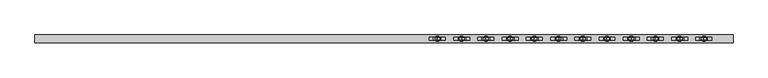
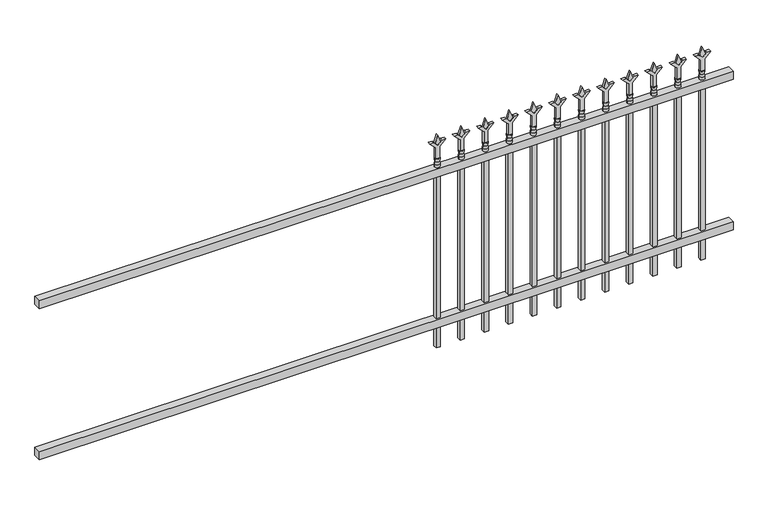
"""IFC4 building model written with IfcOpenShell, lengths in millimetres: railing geometry."""

from ifc_helpers import new_model, si_unit, frame, origin, place, context, project, spatial, polyline, circle_curve, outline, extrude, source, transform, mapped, element, save
from ifc_brep_helpers import plane_surface, cylinder_surface, revolved_surface, advanced_brep


def railing_d775f072(model_context):
    return source(origin(), model_context, "Body", "SolidModel", [
        extrude(outline(polyline([(-85729.318087, 5443.2804826), (-85729.318087, 5478.2054826), (-82579.718087, 5478.2054826), (-82579.718087, 5443.2804826), (-85729.318087, 5443.2804826)])), frame((0.0, 0.0, 876.3), z_axis=(0.0, 0.0, 1.0), x_axis=(1.0, 0.0, 0.0)), (0.0, 0.0, 1.0), 38.1),
        extrude(outline(polyline([(-85729.318087, 5443.2804826), (-85729.318087, 5478.2054826), (-82579.718087, 5478.2054826), (-82579.718087, 5443.2804826), (-85729.318087, 5443.2804826)])), frame((0.0, 0.0, 152.4), z_axis=(0.0, 0.0, 1.0), x_axis=(1.0, 0.0, 0.0)), (0.0, 0.0, 1.0), 38.1),
        extrude(outline(polyline([(1031.08125, -82808.8472536), (1066.8, -82820.7535036), (1031.08125, -82832.6597536), (1019.175, -82820.7535036), (1031.08125, -82808.8472536)])), frame((0.0, 5455.9804826, 0.0), z_axis=(0.0, 1.0, 0.0), x_axis=(0.0, 0.0, 1.0)), (0.0, 0.0, 1.0), 9.525),
        extrude(outline(polyline([(955.675, -82812.0222536), (1009.9457378, -82812.0222536), (1037.1355122, -82784.8324791), (1037.1355122, -82802.7929914), (1019.175, -82820.7535036), (1037.1355122, -82838.7140159), (1037.1355122, -82856.6745281), (1009.9457378, -82829.4847536), (955.675, -82829.4847536), (955.675, -82812.0222536)])), frame((0.0, 5454.3929826, 0.0), z_axis=(0.0, 1.0, 0.0), x_axis=(0.0, 0.0, 1.0)), (0.0, 0.0, 1.0), 12.7),
        advanced_brep(
        [(-82808.8472536, 5460.7429826, 927.1), (-82832.6597536, 5460.7429826, 927.1), (-82832.6597536, 5460.7429826, 914.4), (-82808.8472536, 5460.7429826, 914.4), (-82811.0525855, 5460.7429826, 939.6070585), (-82830.4544218, 5460.7429826, 939.6070585), (-82808.8472536, 5460.7429826, 955.675), (-82832.6597536, 5460.7429826, 955.675), (-82820.7535036, 5460.7429826, 955.675), (-82820.7535036, 5460.7429826, 914.4)],
        [
            (0, 1, circle_curve(frame((-82820.7535036, 5460.7429826, 927.1), z_axis=(0.0, 0.0, -1.0), x_axis=(-1.0, 0.0, 0.0)), 11.90625)),
            (1, 2),
            (2, 3, circle_curve(frame((-82820.7535036, 5460.7429826, 914.4), z_axis=(0.0, 0.0, 1.0), x_axis=(-1.0, 0.0, 0.0)), 11.90625)),
            (3, 0),
            (1, 0, circle_curve(frame((-82820.7535036, 5460.7429826, 927.1), z_axis=(0.0, 0.0, -1.0), x_axis=(-1.0, 0.0, 0.0)), 11.90625)),
            (3, 2, circle_curve(frame((-82820.7535036, 5460.7429826, 914.4), z_axis=(0.0, 0.0, 1.0), x_axis=(-1.0, 0.0, 0.0)), 11.90625)),
            (4, 5, circle_curve(frame((-82820.7535036, 5460.7429826, 939.6070585), z_axis=(0.0, 0.0, -1.0), x_axis=(-1.0, 0.0, 0.0)), 9.7009181)),
            (5, 1),
            (0, 4),
            (5, 4, circle_curve(frame((-82820.7535036, 5460.7429826, 939.6070585), z_axis=(0.0, 0.0, -1.0), x_axis=(-1.0, 0.0, 0.0)), 9.7009181)),
            (6, 7, circle_curve(frame((-82820.7535036, 5460.7429826, 955.675), z_axis=(0.0, 0.0, -1.0), x_axis=(-1.0, 0.0, 0.0)), 11.90625)),
            (7, 5),
            (4, 6),
            (7, 6, circle_curve(frame((-82820.7535036, 5460.7429826, 955.675), z_axis=(0.0, 0.0, -1.0), x_axis=(-1.0, 0.0, 0.0)), 11.90625)),
            (8, 7),
            (6, 8),
            (2, 9),
            (9, 3),
        ],
        [
            cylinder_surface(frame((-82820.7535036, 5460.7429826, 914.4), z_axis=(0.0, 0.0, 1.0), x_axis=(-1.0, 0.0, 0.0)), 11.90625),
            revolved_surface(polyline([(-82832.6597536, 5460.7429826, 927.1), (-82830.4544218, 5460.7429826, 939.6070585)]), (-82820.7535036, 5460.7429826, 914.4), (0.0, 0.0, 1.0)),
            revolved_surface(polyline([(-82830.4544218, 5460.7429826, 939.6070585), (-82832.6597536, 5460.7429826, 955.675)]), (-82820.7535036, 5460.7429826, 914.4), (0.0, 0.0, 1.0)),
            plane_surface(frame((-82820.7535036, 5460.7429826, 955.675), z_axis=(0.0, 0.0, 1.0), x_axis=(-1.0, 0.0, 0.0))),
            plane_surface(frame((-82820.7535036, 5460.7429826, 914.4), z_axis=(0.0, 0.0, -1.0), x_axis=(-1.0, 0.0, 0.0))),
        ],
        [
            (0, [[1, 2, 3, 4]]),
            (0, [[5, -4, 6, -2]]),
            (1, [[7, 8, -1, 9]]),
            (1, [[10, -9, -5, -8]]),
            (2, [[11, 12, -7, 13]]),
            (2, [[14, -13, -10, -12]]),
            (3, [[15, -11, 16]]),
            (3, [[-16, -14, -15]]),
            (4, [[-3, 17, 18]]),
            (4, [[-6, -18, -17]]),
        ],
    ),
        extrude(outline(polyline([(-82830.2785036, 5470.2679826), (-82811.2285036, 5470.2679826), (-82811.2285036, 5451.2179826), (-82830.2785036, 5451.2179826), (-82830.2785036, 5470.2679826)])), frame((0.0, 0.0, 50.8), z_axis=(0.0, 0.0, 1.0), x_axis=(1.0, 0.0, 0.0)), (0.0, 0.0, 1.0), 863.6),
        extrude(outline(polyline([(1031.08125, -82918.1201703), (1066.8, -82930.0264203), (1031.08125, -82941.9326703), (1019.175, -82930.0264203), (1031.08125, -82918.1201703)])), frame((0.0, 5455.9804826, 0.0), z_axis=(0.0, 1.0, 0.0), x_axis=(0.0, 0.0, 1.0)), (0.0, 0.0, 1.0), 9.525),
        extrude(outline(polyline([(955.675, -82921.2951703), (1009.9457378, -82921.2951703), (1037.1355122, -82894.1053958), (1037.1355122, -82912.0659081), (1019.175, -82930.0264203), (1037.1355122, -82947.9869325), (1037.1355122, -82965.9474448), (1009.9457378, -82938.7576703), (955.675, -82938.7576703), (955.675, -82921.2951703)])), frame((0.0, 5454.3929826, 0.0), z_axis=(0.0, 1.0, 0.0), x_axis=(0.0, 0.0, 1.0)), (0.0, 0.0, 1.0), 12.7),
        advanced_brep(
        [(-82918.1201703, 5460.7429826, 927.1), (-82941.9326703, 5460.7429826, 927.1), (-82941.9326703, 5460.7429826, 914.4), (-82918.1201703, 5460.7429826, 914.4), (-82920.3255022, 5460.7429826, 939.6070585), (-82939.7273384, 5460.7429826, 939.6070585), (-82918.1201703, 5460.7429826, 955.675), (-82941.9326703, 5460.7429826, 955.675), (-82930.0264203, 5460.7429826, 955.675), (-82930.0264203, 5460.7429826, 914.4)],
        [
            (0, 1, circle_curve(frame((-82930.0264203, 5460.7429826, 927.1), z_axis=(0.0, 0.0, -1.0), x_axis=(-1.0, 0.0, 0.0)), 11.90625)),
            (1, 2),
            (2, 3, circle_curve(frame((-82930.0264203, 5460.7429826, 914.4), z_axis=(0.0, 0.0, 1.0), x_axis=(-1.0, 0.0, 0.0)), 11.90625)),
            (3, 0),
            (1, 0, circle_curve(frame((-82930.0264203, 5460.7429826, 927.1), z_axis=(0.0, 0.0, -1.0), x_axis=(-1.0, 0.0, 0.0)), 11.90625)),
            (3, 2, circle_curve(frame((-82930.0264203, 5460.7429826, 914.4), z_axis=(0.0, 0.0, 1.0), x_axis=(-1.0, 0.0, 0.0)), 11.90625)),
            (4, 5, circle_curve(frame((-82930.0264203, 5460.7429826, 939.6070585), z_axis=(0.0, 0.0, -1.0), x_axis=(-1.0, 0.0, 0.0)), 9.7009181)),
            (5, 1),
            (0, 4),
            (5, 4, circle_curve(frame((-82930.0264203, 5460.7429826, 939.6070585), z_axis=(0.0, 0.0, -1.0), x_axis=(-1.0, 0.0, 0.0)), 9.7009181)),
            (6, 7, circle_curve(frame((-82930.0264203, 5460.7429826, 955.675), z_axis=(0.0, 0.0, -1.0), x_axis=(-1.0, 0.0, 0.0)), 11.90625)),
            (7, 5),
            (4, 6),
            (7, 6, circle_curve(frame((-82930.0264203, 5460.7429826, 955.675), z_axis=(0.0, 0.0, -1.0), x_axis=(-1.0, 0.0, 0.0)), 11.90625)),
            (8, 7),
            (6, 8),
            (2, 9),
            (9, 3),
        ],
        [
            cylinder_surface(frame((-82930.0264203, 5460.7429826, 914.4), z_axis=(0.0, 0.0, 1.0), x_axis=(-1.0, 0.0, 0.0)), 11.90625),
            revolved_surface(polyline([(-82941.9326703, 5460.7429826, 927.1), (-82939.7273384, 5460.7429826, 939.6070585)]), (-82930.0264203, 5460.7429826, 914.4), (0.0, 0.0, 1.0)),
            revolved_surface(polyline([(-82939.7273384, 5460.7429826, 939.6070585), (-82941.9326703, 5460.7429826, 955.675)]), (-82930.0264203, 5460.7429826, 914.4), (0.0, 0.0, 1.0)),
            plane_surface(frame((-82930.0264203, 5460.7429826, 955.675), z_axis=(0.0, 0.0, 1.0), x_axis=(-1.0, 0.0, 0.0))),
            plane_surface(frame((-82930.0264203, 5460.7429826, 914.4), z_axis=(0.0, 0.0, -1.0), x_axis=(-1.0, 0.0, 0.0))),
        ],
        [
            (0, [[1, 2, 3, 4]]),
            (0, [[5, -4, 6, -2]]),
            (1, [[7, 8, -1, 9]]),
            (1, [[10, -9, -5, -8]]),
            (2, [[11, 12, -7, 13]]),
            (2, [[14, -13, -10, -12]]),
            (3, [[15, -11, 16]]),
            (3, [[-16, -14, -15]]),
            (4, [[-3, 17, 18]]),
            (4, [[-6, -18, -17]]),
        ],
    ),
        extrude(outline(polyline([(-82939.5514203, 5470.2679826), (-82920.5014203, 5470.2679826), (-82920.5014203, 5451.2179826), (-82939.5514203, 5451.2179826), (-82939.5514203, 5470.2679826)])), frame((0.0, 0.0, 50.8), z_axis=(0.0, 0.0, 1.0), x_axis=(1.0, 0.0, 0.0)), (0.0, 0.0, 1.0), 863.6),
        extrude(outline(polyline([(1031.08125, -83027.393087), (1066.8, -83039.299337), (1031.08125, -83051.205587), (1019.175, -83039.299337), (1031.08125, -83027.393087)])), frame((0.0, 5455.9804826, 0.0), z_axis=(0.0, 1.0, 0.0), x_axis=(0.0, 0.0, 1.0)), (0.0, 0.0, 1.0), 9.525),
        extrude(outline(polyline([(955.675, -83030.568087), (1009.9457378, -83030.568087), (1037.1355122, -83003.3783125), (1037.1355122, -83021.3388247), (1019.175, -83039.299337), (1037.1355122, -83057.2598492), (1037.1355122, -83075.2203614), (1009.9457378, -83048.030587), (955.675, -83048.030587), (955.675, -83030.568087)])), frame((0.0, 5454.3929826, 0.0), z_axis=(0.0, 1.0, 0.0), x_axis=(0.0, 0.0, 1.0)), (0.0, 0.0, 1.0), 12.7),
        advanced_brep(
        [(-83027.393087, 5460.7429826, 927.1), (-83051.205587, 5460.7429826, 927.1), (-83051.205587, 5460.7429826, 914.4), (-83027.393087, 5460.7429826, 914.4), (-83029.5984188, 5460.7429826, 939.6070585), (-83049.0002551, 5460.7429826, 939.6070585), (-83027.393087, 5460.7429826, 955.675), (-83051.205587, 5460.7429826, 955.675), (-83039.299337, 5460.7429826, 955.675), (-83039.299337, 5460.7429826, 914.4)],
        [
            (0, 1, circle_curve(frame((-83039.299337, 5460.7429826, 927.1), z_axis=(0.0, 0.0, -1.0), x_axis=(-1.0, 0.0, 0.0)), 11.90625)),
            (1, 2),
            (2, 3, circle_curve(frame((-83039.299337, 5460.7429826, 914.4), z_axis=(0.0, 0.0, 1.0), x_axis=(-1.0, 0.0, 0.0)), 11.90625)),
            (3, 0),
            (1, 0, circle_curve(frame((-83039.299337, 5460.7429826, 927.1), z_axis=(0.0, 0.0, -1.0), x_axis=(-1.0, 0.0, 0.0)), 11.90625)),
            (3, 2, circle_curve(frame((-83039.299337, 5460.7429826, 914.4), z_axis=(0.0, 0.0, 1.0), x_axis=(-1.0, 0.0, 0.0)), 11.90625)),
            (4, 5, circle_curve(frame((-83039.299337, 5460.7429826, 939.6070585), z_axis=(0.0, 0.0, -1.0), x_axis=(-1.0, 0.0, 0.0)), 9.7009181)),
            (5, 1),
            (0, 4),
            (5, 4, circle_curve(frame((-83039.299337, 5460.7429826, 939.6070585), z_axis=(0.0, 0.0, -1.0), x_axis=(-1.0, 0.0, 0.0)), 9.7009181)),
            (6, 7, circle_curve(frame((-83039.299337, 5460.7429826, 955.675), z_axis=(0.0, 0.0, -1.0), x_axis=(-1.0, 0.0, 0.0)), 11.90625)),
            (7, 5),
            (4, 6),
            (7, 6, circle_curve(frame((-83039.299337, 5460.7429826, 955.675), z_axis=(0.0, 0.0, -1.0), x_axis=(-1.0, 0.0, 0.0)), 11.90625)),
            (8, 7),
            (6, 8),
            (2, 9),
            (9, 3),
        ],
        [
            cylinder_surface(frame((-83039.299337, 5460.7429826, 914.4), z_axis=(0.0, 0.0, 1.0), x_axis=(-1.0, 0.0, 0.0)), 11.90625),
            revolved_surface(polyline([(-83051.205587, 5460.7429826, 927.1), (-83049.0002551, 5460.7429826, 939.6070585)]), (-83039.299337, 5460.7429826, 914.4), (0.0, 0.0, 1.0)),
            revolved_surface(polyline([(-83049.0002551, 5460.7429826, 939.6070585), (-83051.205587, 5460.7429826, 955.675)]), (-83039.299337, 5460.7429826, 914.4), (0.0, 0.0, 1.0)),
            plane_surface(frame((-83039.299337, 5460.7429826, 955.675), z_axis=(0.0, 0.0, 1.0), x_axis=(-1.0, 0.0, 0.0))),
            plane_surface(frame((-83039.299337, 5460.7429826, 914.4), z_axis=(0.0, 0.0, -1.0), x_axis=(-1.0, 0.0, 0.0))),
        ],
        [
            (0, [[1, 2, 3, 4]]),
            (0, [[5, -4, 6, -2]]),
            (1, [[7, 8, -1, 9]]),
            (1, [[10, -9, -5, -8]]),
            (2, [[11, 12, -7, 13]]),
            (2, [[14, -13, -10, -12]]),
            (3, [[15, -11, 16]]),
            (3, [[-16, -14, -15]]),
            (4, [[-3, 17, 18]]),
            (4, [[-6, -18, -17]]),
        ],
    ),
        extrude(outline(polyline([(-83048.824337, 5470.2679826), (-83029.774337, 5470.2679826), (-83029.774337, 5451.2179826), (-83048.824337, 5451.2179826), (-83048.824337, 5470.2679826)])), frame((0.0, 0.0, 50.8), z_axis=(0.0, 0.0, 1.0), x_axis=(1.0, 0.0, 0.0)), (0.0, 0.0, 1.0), 863.6),
        extrude(outline(polyline([(1031.08125, -83136.6660036), (1066.8, -83148.5722536), (1031.08125, -83160.4785036), (1019.175, -83148.5722536), (1031.08125, -83136.6660036)])), frame((0.0, 5455.9804826, 0.0), z_axis=(0.0, 1.0, 0.0), x_axis=(0.0, 0.0, 1.0)), (0.0, 0.0, 1.0), 9.525),
        extrude(outline(polyline([(955.675, -83139.8410036), (1009.9457378, -83139.8410036), (1037.1355122, -83112.6512291), (1037.1355122, -83130.6117414), (1019.175, -83148.5722536), (1037.1355122, -83166.5327659), (1037.1355122, -83184.4932781), (1009.9457378, -83157.3035036), (955.675, -83157.3035036), (955.675, -83139.8410036)])), frame((0.0, 5454.3929826, 0.0), z_axis=(0.0, 1.0, 0.0), x_axis=(0.0, 0.0, 1.0)), (0.0, 0.0, 1.0), 12.7),
        advanced_brep(
        [(-83136.6660036, 5460.7429826, 927.1), (-83160.4785036, 5460.7429826, 927.1), (-83160.4785036, 5460.7429826, 914.4), (-83136.6660036, 5460.7429826, 914.4), (-83138.8713355, 5460.7429826, 939.6070585), (-83158.2731718, 5460.7429826, 939.6070585), (-83136.6660036, 5460.7429826, 955.675), (-83160.4785036, 5460.7429826, 955.675), (-83148.5722536, 5460.7429826, 955.675), (-83148.5722536, 5460.7429826, 914.4)],
        [
            (0, 1, circle_curve(frame((-83148.5722536, 5460.7429826, 927.1), z_axis=(0.0, 0.0, -1.0), x_axis=(-1.0, 0.0, 0.0)), 11.90625)),
            (1, 2),
            (2, 3, circle_curve(frame((-83148.5722536, 5460.7429826, 914.4), z_axis=(0.0, 0.0, 1.0), x_axis=(-1.0, 0.0, 0.0)), 11.90625)),
            (3, 0),
            (1, 0, circle_curve(frame((-83148.5722536, 5460.7429826, 927.1), z_axis=(0.0, 0.0, -1.0), x_axis=(-1.0, 0.0, 0.0)), 11.90625)),
            (3, 2, circle_curve(frame((-83148.5722536, 5460.7429826, 914.4), z_axis=(0.0, 0.0, 1.0), x_axis=(-1.0, 0.0, 0.0)), 11.90625)),
            (4, 5, circle_curve(frame((-83148.5722536, 5460.7429826, 939.6070585), z_axis=(0.0, 0.0, -1.0), x_axis=(-1.0, 0.0, 0.0)), 9.7009181)),
            (5, 1),
            (0, 4),
            (5, 4, circle_curve(frame((-83148.5722536, 5460.7429826, 939.6070585), z_axis=(0.0, 0.0, -1.0), x_axis=(-1.0, 0.0, 0.0)), 9.7009181)),
            (6, 7, circle_curve(frame((-83148.5722536, 5460.7429826, 955.675), z_axis=(0.0, 0.0, -1.0), x_axis=(-1.0, 0.0, 0.0)), 11.90625)),
            (7, 5),
            (4, 6),
            (7, 6, circle_curve(frame((-83148.5722536, 5460.7429826, 955.675), z_axis=(0.0, 0.0, -1.0), x_axis=(-1.0, 0.0, 0.0)), 11.90625)),
            (8, 7),
            (6, 8),
            (2, 9),
            (9, 3),
        ],
        [
            cylinder_surface(frame((-83148.5722536, 5460.7429826, 914.4), z_axis=(0.0, 0.0, 1.0), x_axis=(-1.0, 0.0, 0.0)), 11.90625),
            revolved_surface(polyline([(-83160.4785036, 5460.7429826, 927.1), (-83158.2731718, 5460.7429826, 939.6070585)]), (-83148.5722536, 5460.7429826, 914.4), (0.0, 0.0, 1.0)),
            revolved_surface(polyline([(-83158.2731718, 5460.7429826, 939.6070585), (-83160.4785036, 5460.7429826, 955.675)]), (-83148.5722536, 5460.7429826, 914.4), (0.0, 0.0, 1.0)),
            plane_surface(frame((-83148.5722536, 5460.7429826, 955.675), z_axis=(0.0, 0.0, 1.0), x_axis=(-1.0, 0.0, 0.0))),
            plane_surface(frame((-83148.5722536, 5460.7429826, 914.4), z_axis=(0.0, 0.0, -1.0), x_axis=(-1.0, 0.0, 0.0))),
        ],
        [
            (0, [[1, 2, 3, 4]]),
            (0, [[5, -4, 6, -2]]),
            (1, [[7, 8, -1, 9]]),
            (1, [[10, -9, -5, -8]]),
            (2, [[11, 12, -7, 13]]),
            (2, [[14, -13, -10, -12]]),
            (3, [[15, -11, 16]]),
            (3, [[-16, -14, -15]]),
            (4, [[-3, 17, 18]]),
            (4, [[-6, -18, -17]]),
        ],
    ),
        extrude(outline(polyline([(-83158.0972536, 5470.2679826), (-83139.0472536, 5470.2679826), (-83139.0472536, 5451.2179826), (-83158.0972536, 5451.2179826), (-83158.0972536, 5470.2679826)])), frame((0.0, 0.0, 50.8), z_axis=(0.0, 0.0, 1.0), x_axis=(1.0, 0.0, 0.0)), (0.0, 0.0, 1.0), 863.6),
        extrude(outline(polyline([(1031.08125, -83245.9389203), (1066.8, -83257.8451703), (1031.08125, -83269.7514203), (1019.175, -83257.8451703), (1031.08125, -83245.9389203)])), frame((0.0, 5455.9804826, 0.0), z_axis=(0.0, 1.0, 0.0), x_axis=(0.0, 0.0, 1.0)), (0.0, 0.0, 1.0), 9.525),
        extrude(outline(polyline([(955.675, -83249.1139203), (1009.9457378, -83249.1139203), (1037.1355122, -83221.9241458), (1037.1355122, -83239.8846581), (1019.175, -83257.8451703), (1037.1355122, -83275.8056825), (1037.1355122, -83293.7661948), (1009.9457378, -83266.5764203), (955.675, -83266.5764203), (955.675, -83249.1139203)])), frame((0.0, 5454.3929826, 0.0), z_axis=(0.0, 1.0, 0.0), x_axis=(0.0, 0.0, 1.0)), (0.0, 0.0, 1.0), 12.7),
        advanced_brep(
        [(-83245.9389203, 5460.7429826, 927.1), (-83269.7514203, 5460.7429826, 927.1), (-83269.7514203, 5460.7429826, 914.4), (-83245.9389203, 5460.7429826, 914.4), (-83248.1442522, 5460.7429826, 939.6070585), (-83267.5460884, 5460.7429826, 939.6070585), (-83245.9389203, 5460.7429826, 955.675), (-83269.7514203, 5460.7429826, 955.675), (-83257.8451703, 5460.7429826, 955.675), (-83257.8451703, 5460.7429826, 914.4)],
        [
            (0, 1, circle_curve(frame((-83257.8451703, 5460.7429826, 927.1), z_axis=(0.0, 0.0, -1.0), x_axis=(-1.0, 0.0, 0.0)), 11.90625)),
            (1, 2),
            (2, 3, circle_curve(frame((-83257.8451703, 5460.7429826, 914.4), z_axis=(0.0, 0.0, 1.0), x_axis=(-1.0, 0.0, 0.0)), 11.90625)),
            (3, 0),
            (1, 0, circle_curve(frame((-83257.8451703, 5460.7429826, 927.1), z_axis=(0.0, 0.0, -1.0), x_axis=(-1.0, 0.0, 0.0)), 11.90625)),
            (3, 2, circle_curve(frame((-83257.8451703, 5460.7429826, 914.4), z_axis=(0.0, 0.0, 1.0), x_axis=(-1.0, 0.0, 0.0)), 11.90625)),
            (4, 5, circle_curve(frame((-83257.8451703, 5460.7429826, 939.6070585), z_axis=(0.0, 0.0, -1.0), x_axis=(-1.0, 0.0, 0.0)), 9.7009181)),
            (5, 1),
            (0, 4),
            (5, 4, circle_curve(frame((-83257.8451703, 5460.7429826, 939.6070585), z_axis=(0.0, 0.0, -1.0), x_axis=(-1.0, 0.0, 0.0)), 9.7009181)),
            (6, 7, circle_curve(frame((-83257.8451703, 5460.7429826, 955.675), z_axis=(0.0, 0.0, -1.0), x_axis=(-1.0, 0.0, 0.0)), 11.90625)),
            (7, 5),
            (4, 6),
            (7, 6, circle_curve(frame((-83257.8451703, 5460.7429826, 955.675), z_axis=(0.0, 0.0, -1.0), x_axis=(-1.0, 0.0, 0.0)), 11.90625)),
            (8, 7),
            (6, 8),
            (2, 9),
            (9, 3),
        ],
        [
            cylinder_surface(frame((-83257.8451703, 5460.7429826, 914.4), z_axis=(0.0, 0.0, 1.0), x_axis=(-1.0, 0.0, 0.0)), 11.90625),
            revolved_surface(polyline([(-83269.7514203, 5460.7429826, 927.1), (-83267.5460884, 5460.7429826, 939.6070585)]), (-83257.8451703, 5460.7429826, 914.4), (0.0, 0.0, 1.0)),
            revolved_surface(polyline([(-83267.5460884, 5460.7429826, 939.6070585), (-83269.7514203, 5460.7429826, 955.675)]), (-83257.8451703, 5460.7429826, 914.4), (0.0, 0.0, 1.0)),
            plane_surface(frame((-83257.8451703, 5460.7429826, 955.675), z_axis=(0.0, 0.0, 1.0), x_axis=(-1.0, 0.0, 0.0))),
            plane_surface(frame((-83257.8451703, 5460.7429826, 914.4), z_axis=(0.0, 0.0, -1.0), x_axis=(-1.0, 0.0, 0.0))),
        ],
        [
            (0, [[1, 2, 3, 4]]),
            (0, [[5, -4, 6, -2]]),
            (1, [[7, 8, -1, 9]]),
            (1, [[10, -9, -5, -8]]),
            (2, [[11, 12, -7, 13]]),
            (2, [[14, -13, -10, -12]]),
            (3, [[15, -11, 16]]),
            (3, [[-16, -14, -15]]),
            (4, [[-3, 17, 18]]),
            (4, [[-6, -18, -17]]),
        ],
    ),
        extrude(outline(polyline([(-83267.3701703, 5470.2679826), (-83248.3201703, 5470.2679826), (-83248.3201703, 5451.2179826), (-83267.3701703, 5451.2179826), (-83267.3701703, 5470.2679826)])), frame((0.0, 0.0, 50.8), z_axis=(0.0, 0.0, 1.0), x_axis=(1.0, 0.0, 0.0)), (0.0, 0.0, 1.0), 863.6),
        extrude(outline(polyline([(1031.08125, -83355.211837), (1066.8, -83367.118087), (1031.08125, -83379.024337), (1019.175, -83367.118087), (1031.08125, -83355.211837)])), frame((0.0, 5455.9804826, 0.0), z_axis=(0.0, 1.0, 0.0), x_axis=(0.0, 0.0, 1.0)), (0.0, 0.0, 1.0), 9.525),
        extrude(outline(polyline([(955.675, -83358.386837), (1009.9457378, -83358.386837), (1037.1355122, -83331.1970625), (1037.1355122, -83349.1575747), (1019.175, -83367.118087), (1037.1355122, -83385.0785992), (1037.1355122, -83403.0391114), (1009.9457378, -83375.849337), (955.675, -83375.849337), (955.675, -83358.386837)])), frame((0.0, 5454.3929826, 0.0), z_axis=(0.0, 1.0, 0.0), x_axis=(0.0, 0.0, 1.0)), (0.0, 0.0, 1.0), 12.7),
        advanced_brep(
        [(-83355.211837, 5460.7429826, 927.1), (-83379.024337, 5460.7429826, 927.1), (-83379.024337, 5460.7429826, 914.4), (-83355.211837, 5460.7429826, 914.4), (-83357.4171688, 5460.7429826, 939.6070585), (-83376.8190051, 5460.7429826, 939.6070585), (-83355.211837, 5460.7429826, 955.675), (-83379.024337, 5460.7429826, 955.675), (-83367.118087, 5460.7429826, 955.675), (-83367.118087, 5460.7429826, 914.4)],
        [
            (0, 1, circle_curve(frame((-83367.118087, 5460.7429826, 927.1), z_axis=(0.0, 0.0, -1.0), x_axis=(-1.0, 0.0, 0.0)), 11.90625)),
            (1, 2),
            (2, 3, circle_curve(frame((-83367.118087, 5460.7429826, 914.4), z_axis=(0.0, 0.0, 1.0), x_axis=(-1.0, 0.0, 0.0)), 11.90625)),
            (3, 0),
            (1, 0, circle_curve(frame((-83367.118087, 5460.7429826, 927.1), z_axis=(0.0, 0.0, -1.0), x_axis=(-1.0, 0.0, 0.0)), 11.90625)),
            (3, 2, circle_curve(frame((-83367.118087, 5460.7429826, 914.4), z_axis=(0.0, 0.0, 1.0), x_axis=(-1.0, 0.0, 0.0)), 11.90625)),
            (4, 5, circle_curve(frame((-83367.118087, 5460.7429826, 939.6070585), z_axis=(0.0, 0.0, -1.0), x_axis=(-1.0, 0.0, 0.0)), 9.7009181)),
            (5, 1),
            (0, 4),
            (5, 4, circle_curve(frame((-83367.118087, 5460.7429826, 939.6070585), z_axis=(0.0, 0.0, -1.0), x_axis=(-1.0, 0.0, 0.0)), 9.7009181)),
            (6, 7, circle_curve(frame((-83367.118087, 5460.7429826, 955.675), z_axis=(0.0, 0.0, -1.0), x_axis=(-1.0, 0.0, 0.0)), 11.90625)),
            (7, 5),
            (4, 6),
            (7, 6, circle_curve(frame((-83367.118087, 5460.7429826, 955.675), z_axis=(0.0, 0.0, -1.0), x_axis=(-1.0, 0.0, 0.0)), 11.90625)),
            (8, 7),
            (6, 8),
            (2, 9),
            (9, 3),
        ],
        [
            cylinder_surface(frame((-83367.118087, 5460.7429826, 914.4), z_axis=(0.0, 0.0, 1.0), x_axis=(-1.0, 0.0, 0.0)), 11.90625),
            revolved_surface(polyline([(-83379.024337, 5460.7429826, 927.1), (-83376.8190051, 5460.7429826, 939.6070585)]), (-83367.118087, 5460.7429826, 914.4), (0.0, 0.0, 1.0)),
            revolved_surface(polyline([(-83376.8190051, 5460.7429826, 939.6070585), (-83379.024337, 5460.7429826, 955.675)]), (-83367.118087, 5460.7429826, 914.4), (0.0, 0.0, 1.0)),
            plane_surface(frame((-83367.118087, 5460.7429826, 955.675), z_axis=(0.0, 0.0, 1.0), x_axis=(-1.0, 0.0, 0.0))),
            plane_surface(frame((-83367.118087, 5460.7429826, 914.4), z_axis=(0.0, 0.0, -1.0), x_axis=(-1.0, 0.0, 0.0))),
        ],
        [
            (0, [[1, 2, 3, 4]]),
            (0, [[5, -4, 6, -2]]),
            (1, [[7, 8, -1, 9]]),
            (1, [[10, -9, -5, -8]]),
            (2, [[11, 12, -7, 13]]),
            (2, [[14, -13, -10, -12]]),
            (3, [[15, -11, 16]]),
            (3, [[-16, -14, -15]]),
            (4, [[-3, 17, 18]]),
            (4, [[-6, -18, -17]]),
        ],
    ),
        extrude(outline(polyline([(-83376.643087, 5470.2679826), (-83357.593087, 5470.2679826), (-83357.593087, 5451.2179826), (-83376.643087, 5451.2179826), (-83376.643087, 5470.2679826)])), frame((0.0, 0.0, 50.8), z_axis=(0.0, 0.0, 1.0), x_axis=(1.0, 0.0, 0.0)), (0.0, 0.0, 1.0), 863.6),
        extrude(outline(polyline([(1031.08125, -83464.4847536), (1066.8, -83476.3910036), (1031.08125, -83488.2972536), (1019.175, -83476.3910036), (1031.08125, -83464.4847536)])), frame((0.0, 5455.9804826, 0.0), z_axis=(0.0, 1.0, 0.0), x_axis=(0.0, 0.0, 1.0)), (0.0, 0.0, 1.0), 9.525),
        extrude(outline(polyline([(955.675, -83467.6597536), (1009.9457378, -83467.6597536), (1037.1355122, -83440.4699791), (1037.1355122, -83458.4304914), (1019.175, -83476.3910036), (1037.1355122, -83494.3515159), (1037.1355122, -83512.3120281), (1009.9457378, -83485.1222536), (955.675, -83485.1222536), (955.675, -83467.6597536)])), frame((0.0, 5454.3929826, 0.0), z_axis=(0.0, 1.0, 0.0), x_axis=(0.0, 0.0, 1.0)), (0.0, 0.0, 1.0), 12.7),
        advanced_brep(
        [(-83464.4847536, 5460.7429826, 927.1), (-83488.2972536, 5460.7429826, 927.1), (-83488.2972536, 5460.7429826, 914.4), (-83464.4847536, 5460.7429826, 914.4), (-83466.6900855, 5460.7429826, 939.6070585), (-83486.0919218, 5460.7429826, 939.6070585), (-83464.4847536, 5460.7429826, 955.675), (-83488.2972536, 5460.7429826, 955.675), (-83476.3910036, 5460.7429826, 955.675), (-83476.3910036, 5460.7429826, 914.4)],
        [
            (0, 1, circle_curve(frame((-83476.3910036, 5460.7429826, 927.1), z_axis=(0.0, 0.0, -1.0), x_axis=(-1.0, 0.0, 0.0)), 11.90625)),
            (1, 2),
            (2, 3, circle_curve(frame((-83476.3910036, 5460.7429826, 914.4), z_axis=(0.0, 0.0, 1.0), x_axis=(-1.0, 0.0, 0.0)), 11.90625)),
            (3, 0),
            (1, 0, circle_curve(frame((-83476.3910036, 5460.7429826, 927.1), z_axis=(0.0, 0.0, -1.0), x_axis=(-1.0, 0.0, 0.0)), 11.90625)),
            (3, 2, circle_curve(frame((-83476.3910036, 5460.7429826, 914.4), z_axis=(0.0, 0.0, 1.0), x_axis=(-1.0, 0.0, 0.0)), 11.90625)),
            (4, 5, circle_curve(frame((-83476.3910036, 5460.7429826, 939.6070585), z_axis=(0.0, 0.0, -1.0), x_axis=(-1.0, 0.0, 0.0)), 9.7009181)),
            (5, 1),
            (0, 4),
            (5, 4, circle_curve(frame((-83476.3910036, 5460.7429826, 939.6070585), z_axis=(0.0, 0.0, -1.0), x_axis=(-1.0, 0.0, 0.0)), 9.7009181)),
            (6, 7, circle_curve(frame((-83476.3910036, 5460.7429826, 955.675), z_axis=(0.0, 0.0, -1.0), x_axis=(-1.0, 0.0, 0.0)), 11.90625)),
            (7, 5),
            (4, 6),
            (7, 6, circle_curve(frame((-83476.3910036, 5460.7429826, 955.675), z_axis=(0.0, 0.0, -1.0), x_axis=(-1.0, 0.0, 0.0)), 11.90625)),
            (8, 7),
            (6, 8),
            (2, 9),
            (9, 3),
        ],
        [
            cylinder_surface(frame((-83476.3910036, 5460.7429826, 914.4), z_axis=(0.0, 0.0, 1.0), x_axis=(-1.0, 0.0, 0.0)), 11.90625),
            revolved_surface(polyline([(-83488.2972536, 5460.7429826, 927.1), (-83486.0919218, 5460.7429826, 939.6070585)]), (-83476.3910036, 5460.7429826, 914.4), (0.0, 0.0, 1.0)),
            revolved_surface(polyline([(-83486.0919218, 5460.7429826, 939.6070585), (-83488.2972536, 5460.7429826, 955.675)]), (-83476.3910036, 5460.7429826, 914.4), (0.0, 0.0, 1.0)),
            plane_surface(frame((-83476.3910036, 5460.7429826, 955.675), z_axis=(0.0, 0.0, 1.0), x_axis=(-1.0, 0.0, 0.0))),
            plane_surface(frame((-83476.3910036, 5460.7429826, 914.4), z_axis=(0.0, 0.0, -1.0), x_axis=(-1.0, 0.0, 0.0))),
        ],
        [
            (0, [[1, 2, 3, 4]]),
            (0, [[5, -4, 6, -2]]),
            (1, [[7, 8, -1, 9]]),
            (1, [[10, -9, -5, -8]]),
            (2, [[11, 12, -7, 13]]),
            (2, [[14, -13, -10, -12]]),
            (3, [[15, -11, 16]]),
            (3, [[-16, -14, -15]]),
            (4, [[-3, 17, 18]]),
            (4, [[-6, -18, -17]]),
        ],
    ),
        extrude(outline(polyline([(-83485.9160036, 5470.2679826), (-83466.8660036, 5470.2679826), (-83466.8660036, 5451.2179826), (-83485.9160036, 5451.2179826), (-83485.9160036, 5470.2679826)])), frame((0.0, 0.0, 50.8), z_axis=(0.0, 0.0, 1.0), x_axis=(1.0, 0.0, 0.0)), (0.0, 0.0, 1.0), 863.6),
        extrude(outline(polyline([(1031.08125, -83573.7576703), (1066.8, -83585.6639203), (1031.08125, -83597.5701703), (1019.175, -83585.6639203), (1031.08125, -83573.7576703)])), frame((0.0, 5455.9804826, 0.0), z_axis=(0.0, 1.0, 0.0), x_axis=(0.0, 0.0, 1.0)), (0.0, 0.0, 1.0), 9.525),
        extrude(outline(polyline([(955.675, -83576.9326703), (1009.9457378, -83576.9326703), (1037.1355122, -83549.7428958), (1037.1355122, -83567.7034081), (1019.175, -83585.6639203), (1037.1355122, -83603.6244325), (1037.1355122, -83621.5849448), (1009.9457378, -83594.3951703), (955.675, -83594.3951703), (955.675, -83576.9326703)])), frame((0.0, 5454.3929826, 0.0), z_axis=(0.0, 1.0, 0.0), x_axis=(0.0, 0.0, 1.0)), (0.0, 0.0, 1.0), 12.7),
        advanced_brep(
        [(-83573.7576703, 5460.7429826, 927.1), (-83597.5701703, 5460.7429826, 927.1), (-83597.5701703, 5460.7429826, 914.4), (-83573.7576703, 5460.7429826, 914.4), (-83575.9630022, 5460.7429826, 939.6070585), (-83595.3648384, 5460.7429826, 939.6070585), (-83573.7576703, 5460.7429826, 955.675), (-83597.5701703, 5460.7429826, 955.675), (-83585.6639203, 5460.7429826, 955.675), (-83585.6639203, 5460.7429826, 914.4)],
        [
            (0, 1, circle_curve(frame((-83585.6639203, 5460.7429826, 927.1), z_axis=(0.0, 0.0, -1.0), x_axis=(-1.0, 0.0, 0.0)), 11.90625)),
            (1, 2),
            (2, 3, circle_curve(frame((-83585.6639203, 5460.7429826, 914.4), z_axis=(0.0, 0.0, 1.0), x_axis=(-1.0, 0.0, 0.0)), 11.90625)),
            (3, 0),
            (1, 0, circle_curve(frame((-83585.6639203, 5460.7429826, 927.1), z_axis=(0.0, 0.0, -1.0), x_axis=(-1.0, 0.0, 0.0)), 11.90625)),
            (3, 2, circle_curve(frame((-83585.6639203, 5460.7429826, 914.4), z_axis=(0.0, 0.0, 1.0), x_axis=(-1.0, 0.0, 0.0)), 11.90625)),
            (4, 5, circle_curve(frame((-83585.6639203, 5460.7429826, 939.6070585), z_axis=(0.0, 0.0, -1.0), x_axis=(-1.0, 0.0, 0.0)), 9.7009181)),
            (5, 1),
            (0, 4),
            (5, 4, circle_curve(frame((-83585.6639203, 5460.7429826, 939.6070585), z_axis=(0.0, 0.0, -1.0), x_axis=(-1.0, 0.0, 0.0)), 9.7009181)),
            (6, 7, circle_curve(frame((-83585.6639203, 5460.7429826, 955.675), z_axis=(0.0, 0.0, -1.0), x_axis=(-1.0, 0.0, 0.0)), 11.90625)),
            (7, 5),
            (4, 6),
            (7, 6, circle_curve(frame((-83585.6639203, 5460.7429826, 955.675), z_axis=(0.0, 0.0, -1.0), x_axis=(-1.0, 0.0, 0.0)), 11.90625)),
            (8, 7),
            (6, 8),
            (2, 9),
            (9, 3),
        ],
        [
            cylinder_surface(frame((-83585.6639203, 5460.7429826, 914.4), z_axis=(0.0, 0.0, 1.0), x_axis=(-1.0, 0.0, 0.0)), 11.90625),
            revolved_surface(polyline([(-83597.5701703, 5460.7429826, 927.1), (-83595.3648384, 5460.7429826, 939.6070585)]), (-83585.6639203, 5460.7429826, 914.4), (0.0, 0.0, 1.0)),
            revolved_surface(polyline([(-83595.3648384, 5460.7429826, 939.6070585), (-83597.5701703, 5460.7429826, 955.675)]), (-83585.6639203, 5460.7429826, 914.4), (0.0, 0.0, 1.0)),
            plane_surface(frame((-83585.6639203, 5460.7429826, 955.675), z_axis=(0.0, 0.0, 1.0), x_axis=(-1.0, 0.0, 0.0))),
            plane_surface(frame((-83585.6639203, 5460.7429826, 914.4), z_axis=(0.0, 0.0, -1.0), x_axis=(-1.0, 0.0, 0.0))),
        ],
        [
            (0, [[1, 2, 3, 4]]),
            (0, [[5, -4, 6, -2]]),
            (1, [[7, 8, -1, 9]]),
            (1, [[10, -9, -5, -8]]),
            (2, [[11, 12, -7, 13]]),
            (2, [[14, -13, -10, -12]]),
            (3, [[15, -11, 16]]),
            (3, [[-16, -14, -15]]),
            (4, [[-3, 17, 18]]),
            (4, [[-6, -18, -17]]),
        ],
    ),
        extrude(outline(polyline([(-83595.1889203, 5470.2679826), (-83576.1389203, 5470.2679826), (-83576.1389203, 5451.2179826), (-83595.1889203, 5451.2179826), (-83595.1889203, 5470.2679826)])), frame((0.0, 0.0, 50.8), z_axis=(0.0, 0.0, 1.0), x_axis=(1.0, 0.0, 0.0)), (0.0, 0.0, 1.0), 863.6),
        extrude(outline(polyline([(1031.08125, -83683.030587), (1066.8, -83694.936837), (1031.08125, -83706.843087), (1019.175, -83694.936837), (1031.08125, -83683.030587)])), frame((0.0, 5455.9804826, 0.0), z_axis=(0.0, 1.0, 0.0), x_axis=(0.0, 0.0, 1.0)), (0.0, 0.0, 1.0), 9.525),
        extrude(outline(polyline([(955.675, -83686.205587), (1009.9457378, -83686.205587), (1037.1355122, -83659.0158125), (1037.1355122, -83676.9763247), (1019.175, -83694.936837), (1037.1355122, -83712.8973492), (1037.1355122, -83730.8578614), (1009.9457378, -83703.668087), (955.675, -83703.668087), (955.675, -83686.205587)])), frame((0.0, 5454.3929826, 0.0), z_axis=(0.0, 1.0, 0.0), x_axis=(0.0, 0.0, 1.0)), (0.0, 0.0, 1.0), 12.7),
        advanced_brep(
        [(-83683.030587, 5460.7429826, 927.1), (-83706.843087, 5460.7429826, 927.1), (-83706.843087, 5460.7429826, 914.4), (-83683.030587, 5460.7429826, 914.4), (-83685.2359188, 5460.7429826, 939.6070585), (-83704.6377551, 5460.7429826, 939.6070585), (-83683.030587, 5460.7429826, 955.675), (-83706.843087, 5460.7429826, 955.675), (-83694.936837, 5460.7429826, 955.675), (-83694.936837, 5460.7429826, 914.4)],
        [
            (0, 1, circle_curve(frame((-83694.936837, 5460.7429826, 927.1), z_axis=(0.0, 0.0, -1.0), x_axis=(-1.0, 0.0, 0.0)), 11.90625)),
            (1, 2),
            (2, 3, circle_curve(frame((-83694.936837, 5460.7429826, 914.4), z_axis=(0.0, 0.0, 1.0), x_axis=(-1.0, 0.0, 0.0)), 11.90625)),
            (3, 0),
            (1, 0, circle_curve(frame((-83694.936837, 5460.7429826, 927.1), z_axis=(0.0, 0.0, -1.0), x_axis=(-1.0, 0.0, 0.0)), 11.90625)),
            (3, 2, circle_curve(frame((-83694.936837, 5460.7429826, 914.4), z_axis=(0.0, 0.0, 1.0), x_axis=(-1.0, 0.0, 0.0)), 11.90625)),
            (4, 5, circle_curve(frame((-83694.936837, 5460.7429826, 939.6070585), z_axis=(0.0, 0.0, -1.0), x_axis=(-1.0, 0.0, 0.0)), 9.7009181)),
            (5, 1),
            (0, 4),
            (5, 4, circle_curve(frame((-83694.936837, 5460.7429826, 939.6070585), z_axis=(0.0, 0.0, -1.0), x_axis=(-1.0, 0.0, 0.0)), 9.7009181)),
            (6, 7, circle_curve(frame((-83694.936837, 5460.7429826, 955.675), z_axis=(0.0, 0.0, -1.0), x_axis=(-1.0, 0.0, 0.0)), 11.90625)),
            (7, 5),
            (4, 6),
            (7, 6, circle_curve(frame((-83694.936837, 5460.7429826, 955.675), z_axis=(0.0, 0.0, -1.0), x_axis=(-1.0, 0.0, 0.0)), 11.90625)),
            (8, 7),
            (6, 8),
            (2, 9),
            (9, 3),
        ],
        [
            cylinder_surface(frame((-83694.936837, 5460.7429826, 914.4), z_axis=(0.0, 0.0, 1.0), x_axis=(-1.0, 0.0, 0.0)), 11.90625),
            revolved_surface(polyline([(-83706.843087, 5460.7429826, 927.1), (-83704.6377551, 5460.7429826, 939.6070585)]), (-83694.936837, 5460.7429826, 914.4), (0.0, 0.0, 1.0)),
            revolved_surface(polyline([(-83704.6377551, 5460.7429826, 939.6070585), (-83706.843087, 5460.7429826, 955.675)]), (-83694.936837, 5460.7429826, 914.4), (0.0, 0.0, 1.0)),
            plane_surface(frame((-83694.936837, 5460.7429826, 955.675), z_axis=(0.0, 0.0, 1.0), x_axis=(-1.0, 0.0, 0.0))),
            plane_surface(frame((-83694.936837, 5460.7429826, 914.4), z_axis=(0.0, 0.0, -1.0), x_axis=(-1.0, 0.0, 0.0))),
        ],
        [
            (0, [[1, 2, 3, 4]]),
            (0, [[5, -4, 6, -2]]),
            (1, [[7, 8, -1, 9]]),
            (1, [[10, -9, -5, -8]]),
            (2, [[11, 12, -7, 13]]),
            (2, [[14, -13, -10, -12]]),
            (3, [[15, -11, 16]]),
            (3, [[-16, -14, -15]]),
            (4, [[-3, 17, 18]]),
            (4, [[-6, -18, -17]]),
        ],
    ),
        extrude(outline(polyline([(-83704.461837, 5470.2679826), (-83685.411837, 5470.2679826), (-83685.411837, 5451.2179826), (-83704.461837, 5451.2179826), (-83704.461837, 5470.2679826)])), frame((0.0, 0.0, 50.8), z_axis=(0.0, 0.0, 1.0), x_axis=(1.0, 0.0, 0.0)), (0.0, 0.0, 1.0), 863.6),
        extrude(outline(polyline([(1031.08125, -83792.3035036), (1066.8, -83804.2097536), (1031.08125, -83816.1160036), (1019.175, -83804.2097536), (1031.08125, -83792.3035036)])), frame((0.0, 5455.9804826, 0.0), z_axis=(0.0, 1.0, 0.0), x_axis=(0.0, 0.0, 1.0)), (0.0, 0.0, 1.0), 9.525),
        extrude(outline(polyline([(955.675, -83795.4785036), (1009.9457378, -83795.4785036), (1037.1355122, -83768.2887291), (1037.1355122, -83786.2492414), (1019.175, -83804.2097536), (1037.1355122, -83822.1702659), (1037.1355122, -83840.1307781), (1009.9457378, -83812.9410036), (955.675, -83812.9410036), (955.675, -83795.4785036)])), frame((0.0, 5454.3929826, 0.0), z_axis=(0.0, 1.0, 0.0), x_axis=(0.0, 0.0, 1.0)), (0.0, 0.0, 1.0), 12.7),
        advanced_brep(
        [(-83792.3035036, 5460.7429826, 927.1), (-83816.1160036, 5460.7429826, 927.1), (-83816.1160036, 5460.7429826, 914.4), (-83792.3035036, 5460.7429826, 914.4), (-83794.5088355, 5460.7429826, 939.6070585), (-83813.9106718, 5460.7429826, 939.6070585), (-83792.3035036, 5460.7429826, 955.675), (-83816.1160036, 5460.7429826, 955.675), (-83804.2097536, 5460.7429826, 955.675), (-83804.2097536, 5460.7429826, 914.4)],
        [
            (0, 1, circle_curve(frame((-83804.2097536, 5460.7429826, 927.1), z_axis=(0.0, 0.0, -1.0), x_axis=(-1.0, 0.0, 0.0)), 11.90625)),
            (1, 2),
            (2, 3, circle_curve(frame((-83804.2097536, 5460.7429826, 914.4), z_axis=(0.0, 0.0, 1.0), x_axis=(-1.0, 0.0, 0.0)), 11.90625)),
            (3, 0),
            (1, 0, circle_curve(frame((-83804.2097536, 5460.7429826, 927.1), z_axis=(0.0, 0.0, -1.0), x_axis=(-1.0, 0.0, 0.0)), 11.90625)),
            (3, 2, circle_curve(frame((-83804.2097536, 5460.7429826, 914.4), z_axis=(0.0, 0.0, 1.0), x_axis=(-1.0, 0.0, 0.0)), 11.90625)),
            (4, 5, circle_curve(frame((-83804.2097536, 5460.7429826, 939.6070585), z_axis=(0.0, 0.0, -1.0), x_axis=(-1.0, 0.0, 0.0)), 9.7009181)),
            (5, 1),
            (0, 4),
            (5, 4, circle_curve(frame((-83804.2097536, 5460.7429826, 939.6070585), z_axis=(0.0, 0.0, -1.0), x_axis=(-1.0, 0.0, 0.0)), 9.7009181)),
            (6, 7, circle_curve(frame((-83804.2097536, 5460.7429826, 955.675), z_axis=(0.0, 0.0, -1.0), x_axis=(-1.0, 0.0, 0.0)), 11.90625)),
            (7, 5),
            (4, 6),
            (7, 6, circle_curve(frame((-83804.2097536, 5460.7429826, 955.675), z_axis=(0.0, 0.0, -1.0), x_axis=(-1.0, 0.0, 0.0)), 11.90625)),
            (8, 7),
            (6, 8),
            (2, 9),
            (9, 3),
        ],
        [
            cylinder_surface(frame((-83804.2097536, 5460.7429826, 914.4), z_axis=(0.0, 0.0, 1.0), x_axis=(-1.0, 0.0, 0.0)), 11.90625),
            revolved_surface(polyline([(-83816.1160036, 5460.7429826, 927.1), (-83813.9106718, 5460.7429826, 939.6070585)]), (-83804.2097536, 5460.7429826, 914.4), (0.0, 0.0, 1.0)),
            revolved_surface(polyline([(-83813.9106718, 5460.7429826, 939.6070585), (-83816.1160036, 5460.7429826, 955.675)]), (-83804.2097536, 5460.7429826, 914.4), (0.0, 0.0, 1.0)),
            plane_surface(frame((-83804.2097536, 5460.7429826, 955.675), z_axis=(0.0, 0.0, 1.0), x_axis=(-1.0, 0.0, 0.0))),
            plane_surface(frame((-83804.2097536, 5460.7429826, 914.4), z_axis=(0.0, 0.0, -1.0), x_axis=(-1.0, 0.0, 0.0))),
        ],
        [
            (0, [[1, 2, 3, 4]]),
            (0, [[5, -4, 6, -2]]),
            (1, [[7, 8, -1, 9]]),
            (1, [[10, -9, -5, -8]]),
            (2, [[11, 12, -7, 13]]),
            (2, [[14, -13, -10, -12]]),
            (3, [[15, -11, 16]]),
            (3, [[-16, -14, -15]]),
            (4, [[-3, 17, 18]]),
            (4, [[-6, -18, -17]]),
        ],
    ),
        extrude(outline(polyline([(-83813.7347536, 5470.2679826), (-83794.6847536, 5470.2679826), (-83794.6847536, 5451.2179826), (-83813.7347536, 5451.2179826), (-83813.7347536, 5470.2679826)])), frame((0.0, 0.0, 50.8), z_axis=(0.0, 0.0, 1.0), x_axis=(1.0, 0.0, 0.0)), (0.0, 0.0, 1.0), 863.6),
        extrude(outline(polyline([(1031.08125, -83901.5764203), (1066.8, -83913.4826703), (1031.08125, -83925.3889203), (1019.175, -83913.4826703), (1031.08125, -83901.5764203)])), frame((0.0, 5455.9804826, 0.0), z_axis=(0.0, 1.0, 0.0), x_axis=(0.0, 0.0, 1.0)), (0.0, 0.0, 1.0), 9.525),
        extrude(outline(polyline([(955.675, -83904.7514203), (1009.9457378, -83904.7514203), (1037.1355122, -83877.5616458), (1037.1355122, -83895.5221581), (1019.175, -83913.4826703), (1037.1355122, -83931.4431825), (1037.1355122, -83949.4036948), (1009.9457378, -83922.2139203), (955.675, -83922.2139203), (955.675, -83904.7514203)])), frame((0.0, 5454.3929826, 0.0), z_axis=(0.0, 1.0, 0.0), x_axis=(0.0, 0.0, 1.0)), (0.0, 0.0, 1.0), 12.7),
        advanced_brep(
        [(-83901.5764203, 5460.7429826, 927.1), (-83925.3889203, 5460.7429826, 927.1), (-83925.3889203, 5460.7429826, 914.4), (-83901.5764203, 5460.7429826, 914.4), (-83903.7817522, 5460.7429826, 939.6070585), (-83923.1835884, 5460.7429826, 939.6070585), (-83901.5764203, 5460.7429826, 955.675), (-83925.3889203, 5460.7429826, 955.675), (-83913.4826703, 5460.7429826, 955.675), (-83913.4826703, 5460.7429826, 914.4)],
        [
            (0, 1, circle_curve(frame((-83913.4826703, 5460.7429826, 927.1), z_axis=(0.0, 0.0, -1.0), x_axis=(-1.0, 0.0, 0.0)), 11.90625)),
            (1, 2),
            (2, 3, circle_curve(frame((-83913.4826703, 5460.7429826, 914.4), z_axis=(0.0, 0.0, 1.0), x_axis=(-1.0, 0.0, 0.0)), 11.90625)),
            (3, 0),
            (1, 0, circle_curve(frame((-83913.4826703, 5460.7429826, 927.1), z_axis=(0.0, 0.0, -1.0), x_axis=(-1.0, 0.0, 0.0)), 11.90625)),
            (3, 2, circle_curve(frame((-83913.4826703, 5460.7429826, 914.4), z_axis=(0.0, 0.0, 1.0), x_axis=(-1.0, 0.0, 0.0)), 11.90625)),
            (4, 5, circle_curve(frame((-83913.4826703, 5460.7429826, 939.6070585), z_axis=(0.0, 0.0, -1.0), x_axis=(-1.0, 0.0, 0.0)), 9.7009181)),
            (5, 1),
            (0, 4),
            (5, 4, circle_curve(frame((-83913.4826703, 5460.7429826, 939.6070585), z_axis=(0.0, 0.0, -1.0), x_axis=(-1.0, 0.0, 0.0)), 9.7009181)),
            (6, 7, circle_curve(frame((-83913.4826703, 5460.7429826, 955.675), z_axis=(0.0, 0.0, -1.0), x_axis=(-1.0, 0.0, 0.0)), 11.90625)),
            (7, 5),
            (4, 6),
            (7, 6, circle_curve(frame((-83913.4826703, 5460.7429826, 955.675), z_axis=(0.0, 0.0, -1.0), x_axis=(-1.0, 0.0, 0.0)), 11.90625)),
            (8, 7),
            (6, 8),
            (2, 9),
            (9, 3),
        ],
        [
            cylinder_surface(frame((-83913.4826703, 5460.7429826, 914.4), z_axis=(0.0, 0.0, 1.0), x_axis=(-1.0, 0.0, 0.0)), 11.90625),
            revolved_surface(polyline([(-83925.3889203, 5460.7429826, 927.1), (-83923.1835884, 5460.7429826, 939.6070585)]), (-83913.4826703, 5460.7429826, 914.4), (0.0, 0.0, 1.0)),
            revolved_surface(polyline([(-83923.1835884, 5460.7429826, 939.6070585), (-83925.3889203, 5460.7429826, 955.675)]), (-83913.4826703, 5460.7429826, 914.4), (0.0, 0.0, 1.0)),
            plane_surface(frame((-83913.4826703, 5460.7429826, 955.675), z_axis=(0.0, 0.0, 1.0), x_axis=(-1.0, 0.0, 0.0))),
            plane_surface(frame((-83913.4826703, 5460.7429826, 914.4), z_axis=(0.0, 0.0, -1.0), x_axis=(-1.0, 0.0, 0.0))),
        ],
        [
            (0, [[1, 2, 3, 4]]),
            (0, [[5, -4, 6, -2]]),
            (1, [[7, 8, -1, 9]]),
            (1, [[10, -9, -5, -8]]),
            (2, [[11, 12, -7, 13]]),
            (2, [[14, -13, -10, -12]]),
            (3, [[15, -11, 16]]),
            (3, [[-16, -14, -15]]),
            (4, [[-3, 17, 18]]),
            (4, [[-6, -18, -17]]),
        ],
    ),
        extrude(outline(polyline([(-83923.0076703, 5470.2679826), (-83903.9576703, 5470.2679826), (-83903.9576703, 5451.2179826), (-83923.0076703, 5451.2179826), (-83923.0076703, 5470.2679826)])), frame((0.0, 0.0, 50.8), z_axis=(0.0, 0.0, 1.0), x_axis=(1.0, 0.0, 0.0)), (0.0, 0.0, 1.0), 863.6),
        extrude(outline(polyline([(1031.08125, -82699.574337), (1066.8, -82711.480587), (1031.08125, -82723.386837), (1019.175, -82711.480587), (1031.08125, -82699.574337)])), frame((0.0, 5455.9804826, 0.0), z_axis=(0.0, 1.0, 0.0), x_axis=(0.0, 0.0, 1.0)), (0.0, 0.0, 1.0), 9.525),
        extrude(outline(polyline([(955.675, -82702.749337), (1009.9457378, -82702.749337), (1037.1355122, -82675.5595625), (1037.1355122, -82693.5200747), (1019.175, -82711.480587), (1037.1355122, -82729.4410992), (1037.1355122, -82747.4016114), (1009.9457378, -82720.211837), (955.675, -82720.211837), (955.675, -82702.749337)])), frame((0.0, 5454.3929826, 0.0), z_axis=(0.0, 1.0, 0.0), x_axis=(0.0, 0.0, 1.0)), (0.0, 0.0, 1.0), 12.7),
        advanced_brep(
        [(-82699.574337, 5460.7429826, 927.1), (-82723.386837, 5460.7429826, 927.1), (-82723.386837, 5460.7429826, 914.4), (-82699.574337, 5460.7429826, 914.4), (-82701.7796688, 5460.7429826, 939.6070585), (-82721.1815051, 5460.7429826, 939.6070585), (-82699.574337, 5460.7429826, 955.675), (-82723.386837, 5460.7429826, 955.675), (-82711.480587, 5460.7429826, 955.675), (-82711.480587, 5460.7429826, 914.4)],
        [
            (0, 1, circle_curve(frame((-82711.480587, 5460.7429826, 927.1), z_axis=(0.0, 0.0, -1.0), x_axis=(-1.0, 0.0, 0.0)), 11.90625)),
            (1, 2),
            (2, 3, circle_curve(frame((-82711.480587, 5460.7429826, 914.4), z_axis=(0.0, 0.0, 1.0), x_axis=(-1.0, 0.0, 0.0)), 11.90625)),
            (3, 0),
            (1, 0, circle_curve(frame((-82711.480587, 5460.7429826, 927.1), z_axis=(0.0, 0.0, -1.0), x_axis=(-1.0, 0.0, 0.0)), 11.90625)),
            (3, 2, circle_curve(frame((-82711.480587, 5460.7429826, 914.4), z_axis=(0.0, 0.0, 1.0), x_axis=(-1.0, 0.0, 0.0)), 11.90625)),
            (4, 5, circle_curve(frame((-82711.480587, 5460.7429826, 939.6070585), z_axis=(0.0, 0.0, -1.0), x_axis=(-1.0, 0.0, 0.0)), 9.7009181)),
            (5, 1),
            (0, 4),
            (5, 4, circle_curve(frame((-82711.480587, 5460.7429826, 939.6070585), z_axis=(0.0, 0.0, -1.0), x_axis=(-1.0, 0.0, 0.0)), 9.7009181)),
            (6, 7, circle_curve(frame((-82711.480587, 5460.7429826, 955.675), z_axis=(0.0, 0.0, -1.0), x_axis=(-1.0, 0.0, 0.0)), 11.90625)),
            (7, 5),
            (4, 6),
            (7, 6, circle_curve(frame((-82711.480587, 5460.7429826, 955.675), z_axis=(0.0, 0.0, -1.0), x_axis=(-1.0, 0.0, 0.0)), 11.90625)),
            (8, 7),
            (6, 8),
            (2, 9),
            (9, 3),
        ],
        [
            cylinder_surface(frame((-82711.480587, 5460.7429826, 914.4), z_axis=(0.0, 0.0, 1.0), x_axis=(-1.0, 0.0, 0.0)), 11.90625),
            revolved_surface(polyline([(-82723.386837, 5460.7429826, 927.1), (-82721.1815051, 5460.7429826, 939.6070585)]), (-82711.480587, 5460.7429826, 914.4), (0.0, 0.0, 1.0)),
            revolved_surface(polyline([(-82721.1815051, 5460.7429826, 939.6070585), (-82723.386837, 5460.7429826, 955.675)]), (-82711.480587, 5460.7429826, 914.4), (0.0, 0.0, 1.0)),
            plane_surface(frame((-82711.480587, 5460.7429826, 955.675), z_axis=(0.0, 0.0, 1.0), x_axis=(-1.0, 0.0, 0.0))),
            plane_surface(frame((-82711.480587, 5460.7429826, 914.4), z_axis=(0.0, 0.0, -1.0), x_axis=(-1.0, 0.0, 0.0))),
        ],
        [
            (0, [[1, 2, 3, 4]]),
            (0, [[5, -4, 6, -2]]),
            (1, [[7, 8, -1, 9]]),
            (1, [[10, -9, -5, -8]]),
            (2, [[11, 12, -7, 13]]),
            (2, [[14, -13, -10, -12]]),
            (3, [[15, -11, 16]]),
            (3, [[-16, -14, -15]]),
            (4, [[-3, 17, 18]]),
            (4, [[-6, -18, -17]]),
        ],
    ),
        extrude(outline(polyline([(-82721.005587, 5470.2679826), (-82701.955587, 5470.2679826), (-82701.955587, 5451.2179826), (-82721.005587, 5451.2179826), (-82721.005587, 5470.2679826)])), frame((0.0, 0.0, 50.8), z_axis=(0.0, 0.0, 1.0), x_axis=(1.0, 0.0, 0.0)), (0.0, 0.0, 1.0), 863.6),
    ])


if __name__ == "__main__":
    model = new_model("IFC4")
    model_context = context("Model", 3, world=origin())
    ifc_project = project(units=[si_unit("LENGTHUNIT", "METRE", prefix="MILLI")], contexts=[model_context])
    site = spatial("IfcSite", under=ifc_project)
    building = spatial("IfcBuilding", under=site)
    placement = place(None, origin())
    railing_shape = railing_d775f072(model_context)
    element("IfcRailing", 1, at=placement, inside=building, context=model_context, shape_type="MappedRepresentation", body=[
        mapped(railing_shape, transform((0.0, 0.0, 0.0), x_axis=(1.0, 0.0, 0.0), y_axis=(0.0, 1.0, 0.0), z_axis=(0.0, 0.0, 1.0))),
    ])
    save(model, "model.ifc")
